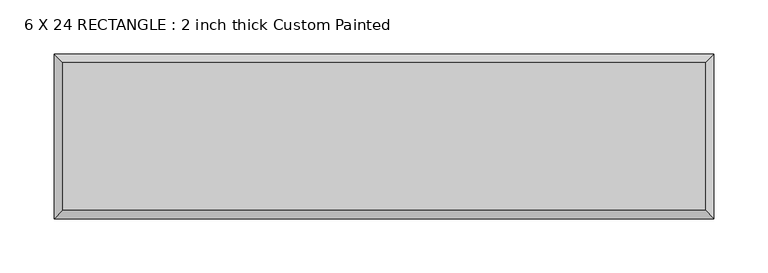
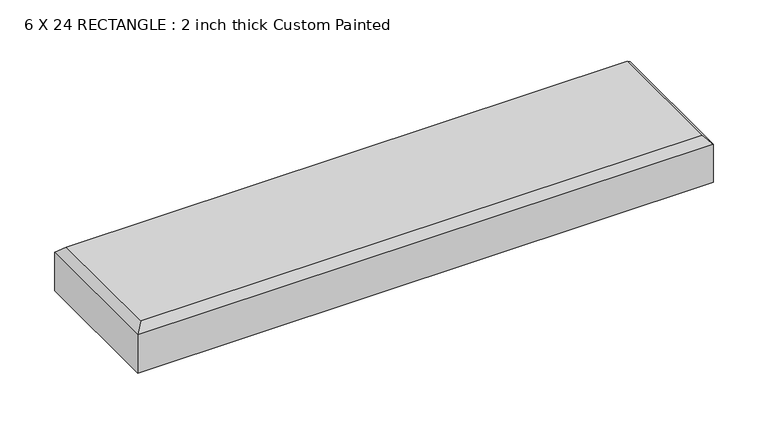
"""IFC4 building model written with IfcOpenShell, lengths in millimetres: proxy geometry, 6 X 24 RECTANGLE : 2 inch thick Custom Painted."""

from ifc_helpers import new_model, si_unit, origin, place, context, project, spatial, faceted_brep, source, transform, mapped, element, save


def proxy_6_x_24_rectangle_2_inch_thick_custom_painted_77138026(model_context):
    return source(origin(), model_context, "Body", "Brep", [
        faceted_brep([(296.799, 68.199, 50.8), (-296.799, 68.199, 50.8), (-296.799, -68.199, 50.8), (296.799, -68.199, 50.8), (-304.8, 76.2, 0.0), (304.8, 76.2, 0.0), (304.8, -76.2, 0.0), (-304.8, -76.2, 0.0), (-304.8, -76.2, 42.799), (-304.8, 76.2, 42.799), (304.8, -76.2, 42.799), (304.8, 76.2, 42.799)], [[[0, 1, 2, 3]], [[4, 5, 6, 7]], [[4, 7, 8, 9]], [[7, 6, 10, 8]], [[6, 5, 11, 10]], [[5, 4, 9, 11]], [[9, 1, 0, 11]], [[1, 9, 8, 2]], [[2, 8, 10, 3]], [[11, 0, 3, 10]]]),
    ])


if __name__ == "__main__":
    model = new_model("IFC4")
    model_context = context("Model", 3, world=origin())
    ifc_project = project(units=[si_unit("LENGTHUNIT", "METRE", prefix="MILLI")], contexts=[model_context])
    site = spatial("IfcSite", under=ifc_project)
    building = spatial("IfcBuilding", under=site)
    placement = place(None, origin())
    proxy_6_x_24_rectangle_2_inch_thick_custom_painted_shape = proxy_6_x_24_rectangle_2_inch_thick_custom_painted_77138026(model_context)
    element("IfcBuildingElementProxy", 1, Name="6 X 24 RECTANGLE : 2 inch thick Custom Painted", ObjectType="6 X 24 RECTANGLE : 2 inch thick Custom Painted", at=placement, inside=building, context=model_context, shape_type="MappedRepresentation", body=[
        mapped(proxy_6_x_24_rectangle_2_inch_thick_custom_painted_shape, transform((0.0, 0.0, 0.0), x_axis=(1.0, 0.0, 0.0), y_axis=(0.0, 1.0, 0.0), z_axis=(0.0, 0.0, 1.0))),
    ])
    save(model, "model.ifc")
